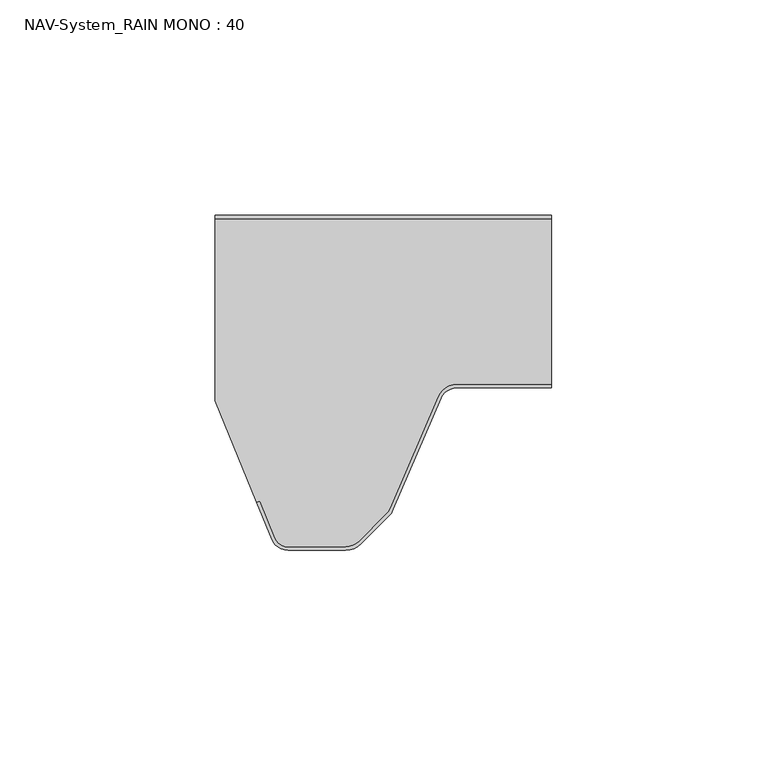
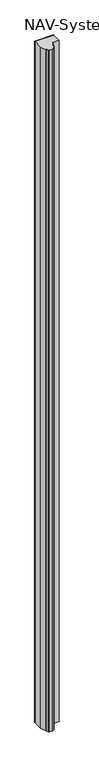
"""IFC4 building model written with IfcOpenShell, lengths in millimetres: plate geometry, NAV-System_RAIN MONO : 40."""

import ifcopenshell
import ifcopenshell.guid

model = None  # the IFC model being written
_history = None  # IfcOwnerHistory: only IFC2X3 demands one
_inside = {}  # id of a spatial element -> (the spatial element, [elements in it])
_under = {}  # id of a project, library or spatial element -> (it, [spatial elements below it])
_declared = {}  # id of a project -> (the project, [libraries it declares])
_typed = {}  # id of a type object -> (the type object, [elements of that type])
_made_of = {}  # id of a material, layer set ... -> (it, [elements and type objects made of it])


def new_model(schema):
    """Start an empty IFC model of exactly this schema.

    Asked for "IFC4X3", IfcOpenShell would pick the latest addendum, in which some entities
    have other attributes; the version numbers below select the first issue.
    IFC2X3 requires an IfcOwnerHistory on every rooted entity: one is made here for all.
    """
    global model, _history
    if schema == "IFC4X3":
        model = ifcopenshell.file(schema_version=(4, 3, 0, 0))
    else:
        model = ifcopenshell.file(schema=schema)
    _inside.clear()
    _under.clear()
    _declared.clear()
    _typed.clear()
    _made_of.clear()
    _history = None
    if model.schema == "IFC2X3":
        org = make("IfcOrganization", Name="unknown")
        user = make(
            "IfcPersonAndOrganization",
            ThePerson=make("IfcPerson", FamilyName="unknown"),
            TheOrganization=org,
        )
        app = make(
            "IfcApplication",
            ApplicationDeveloper=org,
            Version="unknown",
            ApplicationFullName="unknown",
            ApplicationIdentifier="unknown",
        )
        _history = make(
            "IfcOwnerHistory",
            OwningUser=user,
            OwningApplication=app,
            ChangeAction="ADDED",
            CreationDate=0,
        )
    return model


def make(cls, **values):
    """One entity of the class cls with the attributes given. An attribute that is None is left unset."""
    return model.create_entity(
        cls, **{name: value for name, value in values.items() if value is not None}
    )


def rooted(cls, **values):
    """An entity with a GlobalId (a new one), such as an element, a storey or a relation."""
    return make(cls, GlobalId=ifcopenshell.guid.new(), OwnerHistory=_history, **values)


def si_unit(unit_type, name, prefix=None):
    """IfcSIUnit, for example si_unit("LENGTHUNIT", "METRE", prefix="MILLI")."""
    return make("IfcSIUnit", UnitType=unit_type, Prefix=prefix, Name=name)


def assignment(units):
    """IfcUnitAssignment: the units of a project."""
    return None if units is None else make("IfcUnitAssignment", Units=units)


def point(xyz):
    """IfcCartesianPoint."""
    return None if xyz is None else make("IfcCartesianPoint", Coordinates=xyz)


def direction(xyz):
    """IfcDirection."""
    return None if xyz is None else make("IfcDirection", DirectionRatios=xyz)


def frame(location, z_axis=None, x_axis=None):
    """IfcAxis2Placement3D, a coordinate frame: its origin and axes. An axis left out is left unset."""
    return make(
        "IfcAxis2Placement3D",
        Location=point(location),
        Axis=direction(z_axis),
        RefDirection=direction(x_axis),
    )


def frame_2d(location, x_axis=None):
    """IfcAxis2Placement2D, a coordinate frame in the plane: its origin and x axis."""
    return make(
        "IfcAxis2Placement2D", Location=point(location), RefDirection=direction(x_axis)
    )


def origin():
    """The frame at (0, 0, 0) with its axes left unset."""
    return frame((0.0, 0.0, 0.0))


def origin_with_axes():
    """The frame at (0, 0, 0) with the z axis (0, 0, 1) and the x axis (1, 0, 0) written out."""
    return frame((0.0, 0.0, 0.0), z_axis=(0.0, 0.0, 1.0), x_axis=(1.0, 0.0, 0.0))


def place(relative_to, where):
    """IfcLocalPlacement: puts the frame where relative to a parent placement (None: the world)."""
    return make(
        "IfcLocalPlacement", PlacementRelTo=relative_to, RelativePlacement=where
    )


def context(
    kind, dimensions, precision=None, world=None, true_north=None, identifier=None
):
    """IfcGeometricRepresentationContext, for example the 3D "Model" context."""
    return make(
        "IfcGeometricRepresentationContext",
        ContextIdentifier=identifier,
        ContextType=kind,
        CoordinateSpaceDimension=dimensions,
        Precision=precision,
        WorldCoordinateSystem=world,
        TrueNorth=true_north,
    )


def project(units=None, contexts=None):
    """IfcProject with its units and contexts."""
    return rooted(
        "IfcProject",
        Name="project",
        RepresentationContexts=contexts,
        UnitsInContext=assignment(units),
    )


def spatial(cls, under=None, at=None, **own):
    """A site, building, storey or space (cls), placed at a placement, below another one or the project."""
    s = rooted(cls, ObjectPlacement=at, **own)
    if under is not None:
        _under.setdefault(under.id(), (under, []))[1].append(s)
    return s


def polyline(points):
    """IfcPolyline through the points."""
    return make("IfcPolyline", Points=[point(p) for p in points])


def circle_curve(where, radius):
    """IfcCircle in the frame where."""
    return make("IfcCircle", Position=where, Radius=radius)


def trimmed(basis, trim1, trim2, sense, master):
    """IfcTrimmedCurve: the piece of a basis curve between two trims."""
    return make(
        "IfcTrimmedCurve",
        BasisCurve=basis,
        Trim1=trim1,
        Trim2=trim2,
        SenseAgreement=sense,
        MasterRepresentation=master,
    )


def segment(curve, same_sense, transition):
    """IfcCompositeCurveSegment."""
    return make(
        "IfcCompositeCurveSegment",
        Transition=transition,
        SameSense=same_sense,
        ParentCurve=curve,
    )


def composite_curve(segments, self_intersect=None):
    """IfcCompositeCurve: segments joined end to end."""
    return make("IfcCompositeCurve", Segments=segments, SelfIntersect=self_intersect)


def outline(outer, holes=None, kind="AREA"):
    """IfcArbitraryClosedProfileDef: a profile drawn as a closed curve; with holes, ...WithVoids."""
    if holes is None:
        return make("IfcArbitraryClosedProfileDef", ProfileType=kind, OuterCurve=outer)
    return make(
        "IfcArbitraryProfileDefWithVoids",
        ProfileType=kind,
        OuterCurve=outer,
        InnerCurves=holes,
    )


def extrude(swept, where, along, depth):
    """IfcExtrudedAreaSolid: the profile swept, set in the frame where, extruded along a direction by depth."""
    return make(
        "IfcExtrudedAreaSolid",
        SweptArea=swept,
        Position=where,
        ExtrudedDirection=direction(along),
        Depth=depth,
    )


def shape(context_of_items, identifier, shape_type, items):
    """IfcShapeRepresentation: the items that make up one representation, for example the "Body"."""
    return make(
        "IfcShapeRepresentation",
        ContextOfItems=context_of_items,
        RepresentationIdentifier=identifier,
        RepresentationType=shape_type,
        Items=items,
    )


def source(mapping_origin, context_of_items, identifier, shape_type, items):
    """IfcRepresentationMap: a shape defined once, which mapped items show again and again."""
    return make(
        "IfcRepresentationMap",
        MappingOrigin=mapping_origin,
        MappedRepresentation=shape(context_of_items, identifier, shape_type, items),
    )


def transform(
    local_origin,
    x_axis=None,
    y_axis=None,
    z_axis=None,
    scale=None,
    scale2=None,
    scale3=None,
    uniform=True,
):
    """IfcCartesianTransformationOperator3D, or its non-uniform kind. x_axis, y_axis, z_axis: its Axis1, 2, 3."""
    if uniform:
        return make(
            "IfcCartesianTransformationOperator3D",
            Axis1=direction(x_axis),
            Axis2=direction(y_axis),
            LocalOrigin=point(local_origin),
            Scale=scale,
            Axis3=direction(z_axis),
        )
    return make(
        "IfcCartesianTransformationOperator3DnonUniform",
        Axis1=direction(x_axis),
        Axis2=direction(y_axis),
        LocalOrigin=point(local_origin),
        Scale=scale,
        Axis3=direction(z_axis),
        Scale2=scale2,
        Scale3=scale3,
    )


def mapped(mapping_source, mapping_target):
    """IfcMappedItem: shows the shape of a source again, moved by a transform."""
    return make(
        "IfcMappedItem", MappingSource=mapping_source, MappingTarget=mapping_target
    )


def made_of(thing, what):
    """Note that an element or type object is made of a material, layer set ...; save() writes the relation."""
    if what is not None:
        _made_of.setdefault(what.id(), (what, []))[1].append(thing)
    return thing


def element(
    cls,
    number,
    at=None,
    inside=None,
    cuts=None,
    type_object=None,
    material=None,
    context=None,
    identifier="Body",
    shape_type=None,
    held_by="IfcProductDefinitionShape",
    body=None,
    shapes=None,
    **own,
):
    """One element of the class cls, such as IfcWall. Its Tag is "e" and its number.

    at: its placement. inside: the storey or other place that contains it. cuts: it is an
    opening in that element (IfcRelVoidsElement). A single representation is given by context,
    identifier, shape_type and body (its items); several are given by shapes. held_by: the class
    of the entity that holds the representations. save() writes the other relations.
    """
    e = rooted(cls, Tag="e%d" % number, ObjectPlacement=at, **own)
    if body is not None:
        shapes = [shape(context, identifier, shape_type, body)]
    if shapes is not None:
        e.Representation = make(held_by, Representations=shapes)
    if inside is not None:
        _inside.setdefault(inside.id(), (inside, []))[1].append(e)
    if cuts is not None:
        rooted(
            "IfcRelVoidsElement", RelatingBuildingElement=cuts, RelatedOpeningElement=e
        )
    if type_object is not None:
        _typed.setdefault(type_object.id(), (type_object, []))[1].append(e)
    return made_of(e, material)


def aggregate(whole, parts):
    """IfcRelAggregates: a whole, such as a stair, and the parts it consists of."""
    return rooted("IfcRelAggregates", RelatingObject=whole, RelatedObjects=parts)


def save(model, path):
    """Write the relations noted so far, then the file.

    IfcRelAggregates (storeys below a building ...), IfcRelContainedInSpatialStructure (elements
    in a storey), IfcRelDefinesByType, IfcRelAssociatesMaterial and IfcRelDeclares: one each for
    every whole, place, type object, material and project.
    """
    for whole, parts in _under.values():
        aggregate(whole, parts)
    for where, things in _inside.values():
        rooted(
            "IfcRelContainedInSpatialStructure",
            RelatedElements=things,
            RelatingStructure=where,
        )
    for kind, things in _typed.values():
        rooted("IfcRelDefinesByType", RelatedObjects=things, RelatingType=kind)
    for what, things in _made_of.values():
        rooted("IfcRelAssociatesMaterial", RelatedObjects=things, RelatingMaterial=what)
    for by, libraries in _declared.values():
        rooted("IfcRelDeclares", RelatingContext=by, RelatedDefinitions=libraries)
    model.write(path)


def nav_system_rain_mono_40_4d934226(model_context):
    return source(origin(), model_context, "Body", "SweptSolid", [
        extrude(outline(polyline([(-28.0, -0.8), (-28.0, 0.0), (50.0, 0.0), (50.0, -0.8), (-28.0, -0.8)])), origin_with_axes(), (0.0, 0.0, 1.0), 3000.0),
        extrude(outline(composite_curve([segment(trimmed(circle_curve(frame_2d((28.0709249, -44.0)), 4.8), [point((28.0709249, -39.2))], [point((23.6607271, -42.1052295))], True, "CARTESIAN"), True, "CONTINUOUS"), segment(polyline([(23.6607271, -42.1052295), (12.5754349, -67.9069459)]), True, "CONTINUOUS"), segment(trimmed(circle_curve(frame_2d((8.7165118, -66.2490217)), 4.2), [point((12.5754349, -67.9069459))], [point((11.6863603, -69.2188701))], False, "CARTESIAN"), True, "CONTINUOUS"), segment(polyline([(11.6863603, -69.2188701), (5.235382, -75.6698485)]), True, "CONTINUOUS"), segment(trimmed(circle_curve(frame_2d((2.2655335, -72.7)), 4.2), [point((5.235382, -75.6698485))], [point((2.2655335, -76.9))], False, "CARTESIAN"), True, "CONTINUOUS"), segment(polyline([(2.2655335, -76.9), (-11.1405186, -76.9)]), True, "CONTINUOUS"), segment(trimmed(circle_curve(frame_2d((-11.1405186, -73.7)), 3.2), [point((-11.1405186, -76.9))], [point((-14.1022482, -74.9116756))], False, "CARTESIAN"), True, "CONTINUOUS"), segment(polyline([(-14.1022482, -74.9116756), (-17.6292254, -66.2905951), (-18.3696578, -66.593514), (-28.0, -43.053822), (-28.0, -0.8), (50.0, -0.8), (50.0, -39.2), (28.0709249, -39.2)]), True, "CONTINUOUS")], self_intersect=False)), origin_with_axes(), (0.0, 0.0, 1.0), 3000.0),
        extrude(outline(composite_curve([segment(polyline([(-14.8430228, -75.2145945), (-18.37, -66.593514), (-17.6295676, -66.2905951), (-14.1025904, -74.9116756)]), True, "CONTINUOUS"), segment(trimmed(circle_curve(frame_2d((-11.1408608, -73.7)), 3.2), [point((-14.1025904, -74.9116756))], [point((-11.1408608, -76.9))], True, "CARTESIAN"), True, "CONTINUOUS"), segment(polyline([(-11.1408608, -76.9), (2.2651913, -76.9)]), True, "CONTINUOUS"), segment(trimmed(circle_curve(frame_2d((2.2651913, -72.7)), 4.2), [point((2.2651913, -76.9))], [point((5.2350397, -75.6698485))], True, "CARTESIAN"), True, "CONTINUOUS"), segment(polyline([(5.2350397, -75.6698485), (11.6860181, -69.2188701)]), True, "CONTINUOUS"), segment(trimmed(circle_curve(frame_2d((8.7161696, -66.2490217)), 4.2), [point((11.6860181, -69.2188701))], [point((12.5750927, -67.9069459))], True, "CARTESIAN"), True, "CONTINUOUS"), segment(polyline([(12.5750927, -67.9069459), (23.6603849, -42.1052295)]), True, "CONTINUOUS"), segment(trimmed(circle_curve(frame_2d((28.0705827, -44.0)), 4.8), [point((23.6603849, -42.1052295))], [point((28.0705827, -39.2))], False, "CARTESIAN"), True, "CONTINUOUS"), segment(polyline([(28.0705827, -39.2), (50.0, -39.2), (50.0, -40.0), (28.0705827, -40.0)]), True, "CONTINUOUS"), segment(trimmed(circle_curve(frame_2d((28.0705827, -44.0)), 4.0), [point((28.0705827, -40.0))], [point((24.3954178, -42.4210246))], True, "CARTESIAN"), True, "CONTINUOUS"), segment(polyline([(24.3954178, -42.4210246), (13.3101256, -68.2227409)]), True, "CONTINUOUS"), segment(trimmed(circle_curve(frame_2d((8.7161696, -66.2490217)), 5.0), [point((13.3101256, -68.2227409))], [point((12.2517035, -69.7845556))], False, "CARTESIAN"), True, "CONTINUOUS"), segment(polyline([(12.2517035, -69.7845556), (5.8007252, -76.2355339)]), True, "CONTINUOUS"), segment(trimmed(circle_curve(frame_2d((2.2651913, -72.7)), 5.0), [point((5.8007252, -76.2355339))], [point((2.2651913, -77.7))], False, "CARTESIAN"), True, "CONTINUOUS"), segment(polyline([(2.2651913, -77.7), (-11.1408608, -77.7)]), True, "CONTINUOUS"), segment(trimmed(circle_curve(frame_2d((-11.1408608, -73.7)), 4.0), [point((-11.1408608, -77.7))], [point((-14.8430228, -75.2145945))], False, "CARTESIAN"), True, "CONTINUOUS")], self_intersect=False)), origin_with_axes(), (0.0, 0.0, 1.0), 3000.0),
    ])


if __name__ == "__main__":
    model = new_model("IFC4")
    model_context = context("Model", 3, world=origin())
    ifc_project = project(units=[si_unit("LENGTHUNIT", "METRE", prefix="MILLI")], contexts=[model_context])
    site = spatial("IfcSite", under=ifc_project)
    building = spatial("IfcBuilding", under=site)
    placement = place(None, origin())
    nav_system_rain_mono_40_shape = nav_system_rain_mono_40_4d934226(model_context)
    element("IfcPlate", 1, ObjectType="NAV-System_RAIN MONO : 40", at=placement, inside=building, context=model_context, shape_type="MappedRepresentation", body=[
        mapped(nav_system_rain_mono_40_shape, transform((0.0, 0.0, 0.0), x_axis=(1.0, 0.0, 0.0), y_axis=(0.0, 1.0, 0.0), z_axis=(0.0, 0.0, 1.0))),
    ])
    save(model, "model.ifc")
